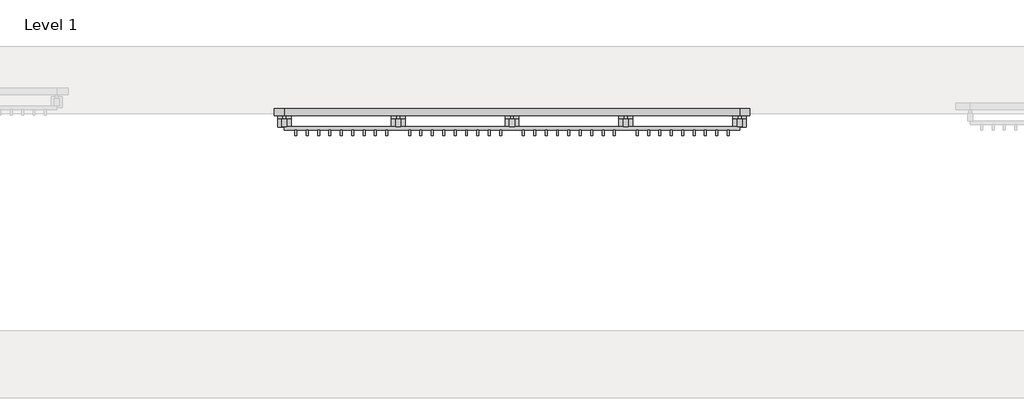
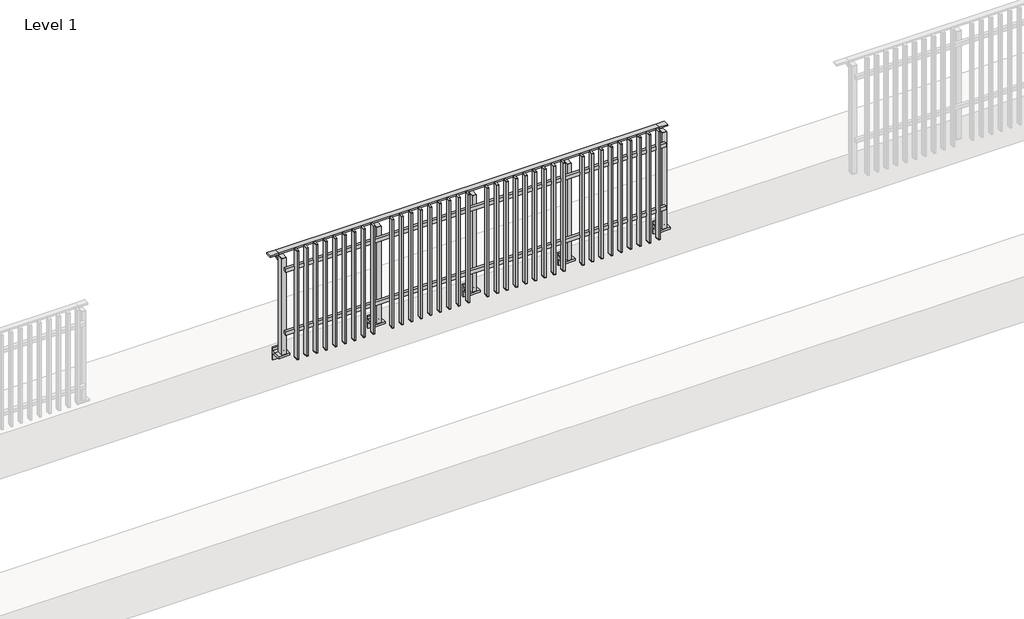
# One storey, part 11 of 17: 1 railing.
"""IFC4 building model written with IfcOpenShell, lengths in millimetres."""

from ifc_helpers import new_model, si_unit, point, frame, frame_2d, origin, place, context, project, spatial, polyline, circle_curve, trimmed, segment, composite_curve, outline, extrude, faceted_brep, element, save

model = new_model("IFC4")

# Units and contexts
model_context = context("Model", 3, world=origin())
ifc_project = project(units=[si_unit("LENGTHUNIT", "METRE", prefix="MILLI")], contexts=[model_context])

# Site, building, storey
site = spatial("IfcSite", under=ifc_project)
building = spatial("IfcBuilding", under=site)
storey = spatial("IfcBuildingStorey", under=building, Name="Level 1", Elevation=0.0)

# Railing
placement = place(None, origin())
element("IfcRailing", 1, at=placement, inside=storey, context=model_context, shape_type="SolidModel", body=[
    faceted_brep([(11910.0, 2442.6846828, 1000.0), (11910.0, 2442.6846828, 985.0), (11910.0, 2382.6846828, 985.0), (11910.0, 2382.6846828, 1000.0), (12000.0, 2442.6846828, 1000.0), (12000.0, 2442.6846828, 985.0), (12000.0, 2382.6846828, 985.0), (12000.0, 2382.6846828, 1000.0), (16000.0, 2442.6846828, 1000.0), (16000.0, 2442.6846828, 985.0), (16000.0, 2382.6846828, 985.0), (16000.0, 2382.6846828, 1000.0), (16090.0, 2442.6846828, 1000.0), (16090.0, 2382.6846828, 1000.0), (16090.0, 2382.6846828, 985.0), (16090.0, 2442.6846828, 985.0)], [[[0, 1, 2, 3]], [[1, 0, 4, 5]], [[2, 1, 5, 6]], [[3, 2, 6, 7]], [[0, 3, 7, 4]], [[5, 4, 8, 9]], [[6, 5, 9, 10]], [[7, 6, 10, 11]], [[4, 7, 11, 8]], [[12, 13, 14, 15]], [[9, 8, 12, 15]], [[10, 9, 15, 14]], [[11, 10, 14, 13]], [[8, 11, 13, 12]]]),
    extrude(outline(polyline([(12000.0, 2253.1846828), (12000.0, 2285.1846828), (16000.0, 2285.1846828), (16000.0, 2253.1846828), (12000.0, 2253.1846828)])), frame((0.0, 0.0, 164.0), z_axis=(0.0, 0.0, 1.0), x_axis=(1.0, 0.0, 0.0)), (0.0, 0.0, 1.0), 36.0),
    extrude(outline(polyline([(12000.0, 2253.1846828), (12000.0, 2285.1846828), (16000.0, 2285.1846828), (16000.0, 2253.1846828), (12000.0, 2253.1846828)])), frame((0.0, 0.0, 864.0), z_axis=(0.0, 0.0, 1.0), x_axis=(1.0, 0.0, 0.0)), (0.0, 0.0, 1.0), 36.0),
    extrude(outline(polyline([(15908.5, 2253.1846828), (15908.5, 2204.1846828), (15891.5, 2204.1846828), (15891.5, 2253.1846828), (15908.5, 2253.1846828)])), frame((0.0, 0.0, -110.0), z_axis=(0.0, 0.0, 1.0), x_axis=(1.0, 0.0, 0.0)), (0.0, 0.0, 1.0), 5.0),
    extrude(outline(polyline([(15908.5, 2253.1846828), (15908.5, 2204.1846828), (15891.5, 2204.1846828), (15891.5, 2253.1846828), (15908.5, 2253.1846828)])), frame((0.0, 0.0, 1095.0), z_axis=(0.0, 0.0, 1.0), x_axis=(1.0, 0.0, 0.0)), (0.0, 0.0, 1.0), 5.0),
    extrude(outline(polyline([(15891.5, 2204.1846828), (15891.5, 2253.1846828), (15908.5, 2253.1846828), (15908.5, 2204.1846828), (15891.5, 2204.1846828)])), frame((0.0, 0.0, -105.0), z_axis=(0.0, 0.0, 1.0), x_axis=(1.0, 0.0, 0.0)), (0.0, 0.0, 1.0), 1200.0),
    extrude(outline(polyline([(15808.5, 2253.1846828), (15808.5, 2204.1846828), (15791.5, 2204.1846828), (15791.5, 2253.1846828), (15808.5, 2253.1846828)])), frame((0.0, 0.0, -110.0), z_axis=(0.0, 0.0, 1.0), x_axis=(1.0, 0.0, 0.0)), (0.0, 0.0, 1.0), 5.0),
    extrude(outline(polyline([(15808.5, 2253.1846828), (15808.5, 2204.1846828), (15791.5, 2204.1846828), (15791.5, 2253.1846828), (15808.5, 2253.1846828)])), frame((0.0, 0.0, 1095.0), z_axis=(0.0, 0.0, 1.0), x_axis=(1.0, 0.0, 0.0)), (0.0, 0.0, 1.0), 5.0),
    extrude(outline(polyline([(15791.5, 2204.1846828), (15791.5, 2253.1846828), (15808.5, 2253.1846828), (15808.5, 2204.1846828), (15791.5, 2204.1846828)])), frame((0.0, 0.0, -105.0), z_axis=(0.0, 0.0, 1.0), x_axis=(1.0, 0.0, 0.0)), (0.0, 0.0, 1.0), 1200.0),
    extrude(outline(polyline([(15708.5, 2253.1846828), (15708.5, 2204.1846828), (15691.5, 2204.1846828), (15691.5, 2253.1846828), (15708.5, 2253.1846828)])), frame((0.0, 0.0, -110.0), z_axis=(0.0, 0.0, 1.0), x_axis=(1.0, 0.0, 0.0)), (0.0, 0.0, 1.0), 5.0),
    extrude(outline(polyline([(15708.5, 2253.1846828), (15708.5, 2204.1846828), (15691.5, 2204.1846828), (15691.5, 2253.1846828), (15708.5, 2253.1846828)])), frame((0.0, 0.0, 1095.0), z_axis=(0.0, 0.0, 1.0), x_axis=(1.0, 0.0, 0.0)), (0.0, 0.0, 1.0), 5.0),
    extrude(outline(polyline([(15691.5, 2204.1846828), (15691.5, 2253.1846828), (15708.5, 2253.1846828), (15708.5, 2204.1846828), (15691.5, 2204.1846828)])), frame((0.0, 0.0, -105.0), z_axis=(0.0, 0.0, 1.0), x_axis=(1.0, 0.0, 0.0)), (0.0, 0.0, 1.0), 1200.0),
    extrude(outline(polyline([(15608.5, 2253.1846828), (15608.5, 2204.1846828), (15591.5, 2204.1846828), (15591.5, 2253.1846828), (15608.5, 2253.1846828)])), frame((0.0, 0.0, -110.0), z_axis=(0.0, 0.0, 1.0), x_axis=(1.0, 0.0, 0.0)), (0.0, 0.0, 1.0), 5.0),
    extrude(outline(polyline([(15608.5, 2253.1846828), (15608.5, 2204.1846828), (15591.5, 2204.1846828), (15591.5, 2253.1846828), (15608.5, 2253.1846828)])), frame((0.0, 0.0, 1095.0), z_axis=(0.0, 0.0, 1.0), x_axis=(1.0, 0.0, 0.0)), (0.0, 0.0, 1.0), 5.0),
    extrude(outline(polyline([(15591.5, 2204.1846828), (15591.5, 2253.1846828), (15608.5, 2253.1846828), (15608.5, 2204.1846828), (15591.5, 2204.1846828)])), frame((0.0, 0.0, -105.0), z_axis=(0.0, 0.0, 1.0), x_axis=(1.0, 0.0, 0.0)), (0.0, 0.0, 1.0), 1200.0),
    extrude(outline(polyline([(15508.5, 2253.1846828), (15508.5, 2204.1846828), (15491.5, 2204.1846828), (15491.5, 2253.1846828), (15508.5, 2253.1846828)])), frame((0.0, 0.0, -110.0), z_axis=(0.0, 0.0, 1.0), x_axis=(1.0, 0.0, 0.0)), (0.0, 0.0, 1.0), 5.0),
    extrude(outline(polyline([(15508.5, 2253.1846828), (15508.5, 2204.1846828), (15491.5, 2204.1846828), (15491.5, 2253.1846828), (15508.5, 2253.1846828)])), frame((0.0, 0.0, 1095.0), z_axis=(0.0, 0.0, 1.0), x_axis=(1.0, 0.0, 0.0)), (0.0, 0.0, 1.0), 5.0),
    extrude(outline(polyline([(15491.5, 2204.1846828), (15491.5, 2253.1846828), (15508.5, 2253.1846828), (15508.5, 2204.1846828), (15491.5, 2204.1846828)])), frame((0.0, 0.0, -105.0), z_axis=(0.0, 0.0, 1.0), x_axis=(1.0, 0.0, 0.0)), (0.0, 0.0, 1.0), 1200.0),
    extrude(outline(polyline([(15408.5, 2253.1846828), (15408.5, 2204.1846828), (15391.5, 2204.1846828), (15391.5, 2253.1846828), (15408.5, 2253.1846828)])), frame((0.0, 0.0, -110.0), z_axis=(0.0, 0.0, 1.0), x_axis=(1.0, 0.0, 0.0)), (0.0, 0.0, 1.0), 5.0),
    extrude(outline(polyline([(15408.5, 2253.1846828), (15408.5, 2204.1846828), (15391.5, 2204.1846828), (15391.5, 2253.1846828), (15408.5, 2253.1846828)])), frame((0.0, 0.0, 1095.0), z_axis=(0.0, 0.0, 1.0), x_axis=(1.0, 0.0, 0.0)), (0.0, 0.0, 1.0), 5.0),
    extrude(outline(polyline([(15391.5, 2204.1846828), (15391.5, 2253.1846828), (15408.5, 2253.1846828), (15408.5, 2204.1846828), (15391.5, 2204.1846828)])), frame((0.0, 0.0, -105.0), z_axis=(0.0, 0.0, 1.0), x_axis=(1.0, 0.0, 0.0)), (0.0, 0.0, 1.0), 1200.0),
    extrude(outline(polyline([(15308.5, 2253.1846828), (15308.5, 2204.1846828), (15291.5, 2204.1846828), (15291.5, 2253.1846828), (15308.5, 2253.1846828)])), frame((0.0, 0.0, -110.0), z_axis=(0.0, 0.0, 1.0), x_axis=(1.0, 0.0, 0.0)), (0.0, 0.0, 1.0), 5.0),
    extrude(outline(polyline([(15308.5, 2253.1846828), (15308.5, 2204.1846828), (15291.5, 2204.1846828), (15291.5, 2253.1846828), (15308.5, 2253.1846828)])), frame((0.0, 0.0, 1095.0), z_axis=(0.0, 0.0, 1.0), x_axis=(1.0, 0.0, 0.0)), (0.0, 0.0, 1.0), 5.0),
    extrude(outline(polyline([(15291.5, 2204.1846828), (15291.5, 2253.1846828), (15308.5, 2253.1846828), (15308.5, 2204.1846828), (15291.5, 2204.1846828)])), frame((0.0, 0.0, -105.0), z_axis=(0.0, 0.0, 1.0), x_axis=(1.0, 0.0, 0.0)), (0.0, 0.0, 1.0), 1200.0),
    extrude(outline(polyline([(15208.5, 2253.1846828), (15208.5, 2204.1846828), (15191.5, 2204.1846828), (15191.5, 2253.1846828), (15208.5, 2253.1846828)])), frame((0.0, 0.0, -110.0), z_axis=(0.0, 0.0, 1.0), x_axis=(1.0, 0.0, 0.0)), (0.0, 0.0, 1.0), 5.0),
    extrude(outline(polyline([(15208.5, 2253.1846828), (15208.5, 2204.1846828), (15191.5, 2204.1846828), (15191.5, 2253.1846828), (15208.5, 2253.1846828)])), frame((0.0, 0.0, 1095.0), z_axis=(0.0, 0.0, 1.0), x_axis=(1.0, 0.0, 0.0)), (0.0, 0.0, 1.0), 5.0),
    extrude(outline(polyline([(15191.5, 2204.1846828), (15191.5, 2253.1846828), (15208.5, 2253.1846828), (15208.5, 2204.1846828), (15191.5, 2204.1846828)])), frame((0.0, 0.0, -105.0), z_axis=(0.0, 0.0, 1.0), x_axis=(1.0, 0.0, 0.0)), (0.0, 0.0, 1.0), 1200.0),
    extrude(outline(polyline([(15108.5, 2253.1846828), (15108.5, 2204.1846828), (15091.5, 2204.1846828), (15091.5, 2253.1846828), (15108.5, 2253.1846828)])), frame((0.0, 0.0, -110.0), z_axis=(0.0, 0.0, 1.0), x_axis=(1.0, 0.0, 0.0)), (0.0, 0.0, 1.0), 5.0),
    extrude(outline(polyline([(15108.5, 2253.1846828), (15108.5, 2204.1846828), (15091.5, 2204.1846828), (15091.5, 2253.1846828), (15108.5, 2253.1846828)])), frame((0.0, 0.0, 1095.0), z_axis=(0.0, 0.0, 1.0), x_axis=(1.0, 0.0, 0.0)), (0.0, 0.0, 1.0), 5.0),
    extrude(outline(polyline([(15091.5, 2204.1846828), (15091.5, 2253.1846828), (15108.5, 2253.1846828), (15108.5, 2204.1846828), (15091.5, 2204.1846828)])), frame((0.0, 0.0, -105.0), z_axis=(0.0, 0.0, 1.0), x_axis=(1.0, 0.0, 0.0)), (0.0, 0.0, 1.0), 1200.0),
    extrude(outline(composite_curve([segment(polyline([(2438.1846828, 985.0), (2438.1846828, 960.900037)]), True, "CONTINUOUS"), segment(trimmed(circle_curve(frame_2d((2428.1846828, 960.900037)), 10.0), [point((2438.1846828, 960.900037))], [point((2430.7728733, 951.2407787))], False, "CARTESIAN"), True, "CONTINUOUS"), segment(polyline([(2430.7728733, 951.2407787), (2373.7244733, 935.9547061)]), True, "CONTINUOUS"), segment(trimmed(circle_curve(frame_2d((2376.3126638, 926.2954478)), 10.0), [point((2373.7244733, 935.9547061))], [point((2366.3982152, 927.6007097))], True, "CARTESIAN"), True, "CONTINUOUS"), segment(polyline([(2366.3982152, 927.6007097), (2361.791393, 892.6084214)]), True, "CONTINUOUS"), segment(trimmed(circle_curve(frame_2d((2358.8170584, 893.0)), 3.0), [point((2361.791393, 892.6084214))], [point((2358.8170584, 890.0))], False, "CARTESIAN"), True, "CONTINUOUS"), segment(polyline([(2358.8170584, 890.0), (2350.1846828, 890.0), (2350.1846828, 940.0), (2414.1846828, 957.1487483), (2414.1846828, 985.0), (2438.1846828, 985.0)]), True, "CONTINUOUS")], self_intersect=False)), frame((14987.5, 0.0, 0.0), z_axis=(1.0, 0.0, 0.0), x_axis=(0.0, 1.0, 0.0)), (0.0, 0.0, 1.0), 25.0),
    extrude(outline(composite_curve([segment(polyline([(2350.1846828, -70.0), (2384.1846828, -63.0), (2384.1846828, -32.5), (2400.1846828, -32.5), (2400.1846828, -167.5), (2384.1846828, -167.5), (2384.1846828, -113.5)]), True, "CONTINUOUS"), segment(trimmed(circle_curve(frame_2d((2364.1846828, -113.5)), 20.0), [point((2384.1846828, -113.5))], [point((2364.1846828, -93.5))], True, "CARTESIAN"), True, "CONTINUOUS"), segment(polyline([(2364.1846828, -93.5), (2280.1846828, -93.5), (2280.1846828, -70.0), (2350.1846828, -70.0)]), True, "CONTINUOUS")], self_intersect=False)), frame((14940.0, 0.0, 0.0), z_axis=(1.0, 0.0, 0.0), x_axis=(0.0, 1.0, 0.0)), (0.0, 0.0, 1.0), 120.0),
    extrude(outline(polyline([(15022.5, 2350.1846828), (15022.5, 2285.1846828), (14977.5, 2285.1846828), (14977.5, 2350.1846828), (15022.5, 2350.1846828)])), frame((0.0, 0.0, -70.0), z_axis=(0.0, 0.0, 1.0), x_axis=(1.0, 0.0, 0.0)), (0.0, 0.0, 1.0), 1070.0),
    extrude(outline(polyline([(15022.5, 2350.1846828), (15022.5, 2285.1846828), (14977.5, 2285.1846828), (14977.5, 2350.1846828), (15022.5, 2350.1846828)])), frame((0.0, 0.0, 1000.0), z_axis=(0.0, 0.0, 1.0), x_axis=(1.0, 0.0, 0.0)), (0.0, 0.0, 1.0), 5.0),
    extrude(outline(polyline([(14908.5, 2253.1846828), (14908.5, 2204.1846828), (14891.5, 2204.1846828), (14891.5, 2253.1846828), (14908.5, 2253.1846828)])), frame((0.0, 0.0, -110.0), z_axis=(0.0, 0.0, 1.0), x_axis=(1.0, 0.0, 0.0)), (0.0, 0.0, 1.0), 5.0),
    extrude(outline(polyline([(14908.5, 2253.1846828), (14908.5, 2204.1846828), (14891.5, 2204.1846828), (14891.5, 2253.1846828), (14908.5, 2253.1846828)])), frame((0.0, 0.0, 1095.0), z_axis=(0.0, 0.0, 1.0), x_axis=(1.0, 0.0, 0.0)), (0.0, 0.0, 1.0), 5.0),
    extrude(outline(polyline([(14891.5, 2204.1846828), (14891.5, 2253.1846828), (14908.5, 2253.1846828), (14908.5, 2204.1846828), (14891.5, 2204.1846828)])), frame((0.0, 0.0, -105.0), z_axis=(0.0, 0.0, 1.0), x_axis=(1.0, 0.0, 0.0)), (0.0, 0.0, 1.0), 1200.0),
    extrude(outline(polyline([(14808.5, 2253.1846828), (14808.5, 2204.1846828), (14791.5, 2204.1846828), (14791.5, 2253.1846828), (14808.5, 2253.1846828)])), frame((0.0, 0.0, -110.0), z_axis=(0.0, 0.0, 1.0), x_axis=(1.0, 0.0, 0.0)), (0.0, 0.0, 1.0), 5.0),
    extrude(outline(polyline([(14808.5, 2253.1846828), (14808.5, 2204.1846828), (14791.5, 2204.1846828), (14791.5, 2253.1846828), (14808.5, 2253.1846828)])), frame((0.0, 0.0, 1095.0), z_axis=(0.0, 0.0, 1.0), x_axis=(1.0, 0.0, 0.0)), (0.0, 0.0, 1.0), 5.0),
    extrude(outline(polyline([(14791.5, 2204.1846828), (14791.5, 2253.1846828), (14808.5, 2253.1846828), (14808.5, 2204.1846828), (14791.5, 2204.1846828)])), frame((0.0, 0.0, -105.0), z_axis=(0.0, 0.0, 1.0), x_axis=(1.0, 0.0, 0.0)), (0.0, 0.0, 1.0), 1200.0),
    extrude(outline(polyline([(14708.5, 2253.1846828), (14708.5, 2204.1846828), (14691.5, 2204.1846828), (14691.5, 2253.1846828), (14708.5, 2253.1846828)])), frame((0.0, 0.0, -110.0), z_axis=(0.0, 0.0, 1.0), x_axis=(1.0, 0.0, 0.0)), (0.0, 0.0, 1.0), 5.0),
    extrude(outline(polyline([(14708.5, 2253.1846828), (14708.5, 2204.1846828), (14691.5, 2204.1846828), (14691.5, 2253.1846828), (14708.5, 2253.1846828)])), frame((0.0, 0.0, 1095.0), z_axis=(0.0, 0.0, 1.0), x_axis=(1.0, 0.0, 0.0)), (0.0, 0.0, 1.0), 5.0),
    extrude(outline(polyline([(14691.5, 2204.1846828), (14691.5, 2253.1846828), (14708.5, 2253.1846828), (14708.5, 2204.1846828), (14691.5, 2204.1846828)])), frame((0.0, 0.0, -105.0), z_axis=(0.0, 0.0, 1.0), x_axis=(1.0, 0.0, 0.0)), (0.0, 0.0, 1.0), 1200.0),
    extrude(outline(polyline([(14608.5, 2253.1846828), (14608.5, 2204.1846828), (14591.5, 2204.1846828), (14591.5, 2253.1846828), (14608.5, 2253.1846828)])), frame((0.0, 0.0, -110.0), z_axis=(0.0, 0.0, 1.0), x_axis=(1.0, 0.0, 0.0)), (0.0, 0.0, 1.0), 5.0),
    extrude(outline(polyline([(14608.5, 2253.1846828), (14608.5, 2204.1846828), (14591.5, 2204.1846828), (14591.5, 2253.1846828), (14608.5, 2253.1846828)])), frame((0.0, 0.0, 1095.0), z_axis=(0.0, 0.0, 1.0), x_axis=(1.0, 0.0, 0.0)), (0.0, 0.0, 1.0), 5.0),
    extrude(outline(polyline([(14591.5, 2204.1846828), (14591.5, 2253.1846828), (14608.5, 2253.1846828), (14608.5, 2204.1846828), (14591.5, 2204.1846828)])), frame((0.0, 0.0, -105.0), z_axis=(0.0, 0.0, 1.0), x_axis=(1.0, 0.0, 0.0)), (0.0, 0.0, 1.0), 1200.0),
    extrude(outline(polyline([(14508.5, 2253.1846828), (14508.5, 2204.1846828), (14491.5, 2204.1846828), (14491.5, 2253.1846828), (14508.5, 2253.1846828)])), frame((0.0, 0.0, -110.0), z_axis=(0.0, 0.0, 1.0), x_axis=(1.0, 0.0, 0.0)), (0.0, 0.0, 1.0), 5.0),
    extrude(outline(polyline([(14508.5, 2253.1846828), (14508.5, 2204.1846828), (14491.5, 2204.1846828), (14491.5, 2253.1846828), (14508.5, 2253.1846828)])), frame((0.0, 0.0, 1095.0), z_axis=(0.0, 0.0, 1.0), x_axis=(1.0, 0.0, 0.0)), (0.0, 0.0, 1.0), 5.0),
    extrude(outline(polyline([(14491.5, 2204.1846828), (14491.5, 2253.1846828), (14508.5, 2253.1846828), (14508.5, 2204.1846828), (14491.5, 2204.1846828)])), frame((0.0, 0.0, -105.0), z_axis=(0.0, 0.0, 1.0), x_axis=(1.0, 0.0, 0.0)), (0.0, 0.0, 1.0), 1200.0),
    extrude(outline(polyline([(14408.5, 2253.1846828), (14408.5, 2204.1846828), (14391.5, 2204.1846828), (14391.5, 2253.1846828), (14408.5, 2253.1846828)])), frame((0.0, 0.0, -110.0), z_axis=(0.0, 0.0, 1.0), x_axis=(1.0, 0.0, 0.0)), (0.0, 0.0, 1.0), 5.0),
    extrude(outline(polyline([(14408.5, 2253.1846828), (14408.5, 2204.1846828), (14391.5, 2204.1846828), (14391.5, 2253.1846828), (14408.5, 2253.1846828)])), frame((0.0, 0.0, 1095.0), z_axis=(0.0, 0.0, 1.0), x_axis=(1.0, 0.0, 0.0)), (0.0, 0.0, 1.0), 5.0),
    extrude(outline(polyline([(14391.5, 2204.1846828), (14391.5, 2253.1846828), (14408.5, 2253.1846828), (14408.5, 2204.1846828), (14391.5, 2204.1846828)])), frame((0.0, 0.0, -105.0), z_axis=(0.0, 0.0, 1.0), x_axis=(1.0, 0.0, 0.0)), (0.0, 0.0, 1.0), 1200.0),
    extrude(outline(polyline([(14308.5, 2253.1846828), (14308.5, 2204.1846828), (14291.5, 2204.1846828), (14291.5, 2253.1846828), (14308.5, 2253.1846828)])), frame((0.0, 0.0, -110.0), z_axis=(0.0, 0.0, 1.0), x_axis=(1.0, 0.0, 0.0)), (0.0, 0.0, 1.0), 5.0),
    extrude(outline(polyline([(14308.5, 2253.1846828), (14308.5, 2204.1846828), (14291.5, 2204.1846828), (14291.5, 2253.1846828), (14308.5, 2253.1846828)])), frame((0.0, 0.0, 1095.0), z_axis=(0.0, 0.0, 1.0), x_axis=(1.0, 0.0, 0.0)), (0.0, 0.0, 1.0), 5.0),
    extrude(outline(polyline([(14291.5, 2204.1846828), (14291.5, 2253.1846828), (14308.5, 2253.1846828), (14308.5, 2204.1846828), (14291.5, 2204.1846828)])), frame((0.0, 0.0, -105.0), z_axis=(0.0, 0.0, 1.0), x_axis=(1.0, 0.0, 0.0)), (0.0, 0.0, 1.0), 1200.0),
    extrude(outline(polyline([(14208.5, 2253.1846828), (14208.5, 2204.1846828), (14191.5, 2204.1846828), (14191.5, 2253.1846828), (14208.5, 2253.1846828)])), frame((0.0, 0.0, -110.0), z_axis=(0.0, 0.0, 1.0), x_axis=(1.0, 0.0, 0.0)), (0.0, 0.0, 1.0), 5.0),
    extrude(outline(polyline([(14208.5, 2253.1846828), (14208.5, 2204.1846828), (14191.5, 2204.1846828), (14191.5, 2253.1846828), (14208.5, 2253.1846828)])), frame((0.0, 0.0, 1095.0), z_axis=(0.0, 0.0, 1.0), x_axis=(1.0, 0.0, 0.0)), (0.0, 0.0, 1.0), 5.0),
    extrude(outline(polyline([(14191.5, 2204.1846828), (14191.5, 2253.1846828), (14208.5, 2253.1846828), (14208.5, 2204.1846828), (14191.5, 2204.1846828)])), frame((0.0, 0.0, -105.0), z_axis=(0.0, 0.0, 1.0), x_axis=(1.0, 0.0, 0.0)), (0.0, 0.0, 1.0), 1200.0),
    extrude(outline(polyline([(14108.5, 2253.1846828), (14108.5, 2204.1846828), (14091.5, 2204.1846828), (14091.5, 2253.1846828), (14108.5, 2253.1846828)])), frame((0.0, 0.0, -110.0), z_axis=(0.0, 0.0, 1.0), x_axis=(1.0, 0.0, 0.0)), (0.0, 0.0, 1.0), 5.0),
    extrude(outline(polyline([(14108.5, 2253.1846828), (14108.5, 2204.1846828), (14091.5, 2204.1846828), (14091.5, 2253.1846828), (14108.5, 2253.1846828)])), frame((0.0, 0.0, 1095.0), z_axis=(0.0, 0.0, 1.0), x_axis=(1.0, 0.0, 0.0)), (0.0, 0.0, 1.0), 5.0),
    extrude(outline(polyline([(14091.5, 2204.1846828), (14091.5, 2253.1846828), (14108.5, 2253.1846828), (14108.5, 2204.1846828), (14091.5, 2204.1846828)])), frame((0.0, 0.0, -105.0), z_axis=(0.0, 0.0, 1.0), x_axis=(1.0, 0.0, 0.0)), (0.0, 0.0, 1.0), 1200.0),
    extrude(outline(composite_curve([segment(polyline([(2438.1846828, 985.0), (2438.1846828, 960.900037)]), True, "CONTINUOUS"), segment(trimmed(circle_curve(frame_2d((2428.1846828, 960.900037)), 10.0), [point((2438.1846828, 960.900037))], [point((2430.7728733, 951.2407787))], False, "CARTESIAN"), True, "CONTINUOUS"), segment(polyline([(2430.7728733, 951.2407787), (2373.7244733, 935.9547061)]), True, "CONTINUOUS"), segment(trimmed(circle_curve(frame_2d((2376.3126638, 926.2954478)), 10.0), [point((2373.7244733, 935.9547061))], [point((2366.3982152, 927.6007097))], True, "CARTESIAN"), True, "CONTINUOUS"), segment(polyline([(2366.3982152, 927.6007097), (2361.791393, 892.6084214)]), True, "CONTINUOUS"), segment(trimmed(circle_curve(frame_2d((2358.8170584, 893.0)), 3.0), [point((2361.791393, 892.6084214))], [point((2358.8170584, 890.0))], False, "CARTESIAN"), True, "CONTINUOUS"), segment(polyline([(2358.8170584, 890.0), (2350.1846828, 890.0), (2350.1846828, 940.0), (2414.1846828, 957.1487483), (2414.1846828, 985.0), (2438.1846828, 985.0)]), True, "CONTINUOUS")], self_intersect=False)), frame((13987.5, 0.0, 0.0), z_axis=(1.0, 0.0, 0.0), x_axis=(0.0, 1.0, 0.0)), (0.0, 0.0, 1.0), 25.0),
    extrude(outline(composite_curve([segment(polyline([(2350.1846828, -70.0), (2384.1846828, -63.0), (2384.1846828, -32.5), (2400.1846828, -32.5), (2400.1846828, -167.5), (2384.1846828, -167.5), (2384.1846828, -113.5)]), True, "CONTINUOUS"), segment(trimmed(circle_curve(frame_2d((2364.1846828, -113.5)), 20.0), [point((2384.1846828, -113.5))], [point((2364.1846828, -93.5))], True, "CARTESIAN"), True, "CONTINUOUS"), segment(polyline([(2364.1846828, -93.5), (2280.1846828, -93.5), (2280.1846828, -70.0), (2350.1846828, -70.0)]), True, "CONTINUOUS")], self_intersect=False)), frame((13940.0, 0.0, 0.0), z_axis=(1.0, 0.0, 0.0), x_axis=(0.0, 1.0, 0.0)), (0.0, 0.0, 1.0), 120.0),
    extrude(outline(polyline([(14022.5, 2350.1846828), (14022.5, 2285.1846828), (13977.5, 2285.1846828), (13977.5, 2350.1846828), (14022.5, 2350.1846828)])), frame((0.0, 0.0, -70.0), z_axis=(0.0, 0.0, 1.0), x_axis=(1.0, 0.0, 0.0)), (0.0, 0.0, 1.0), 1070.0),
    extrude(outline(polyline([(14022.5, 2350.1846828), (14022.5, 2285.1846828), (13977.5, 2285.1846828), (13977.5, 2350.1846828), (14022.5, 2350.1846828)])), frame((0.0, 0.0, 1000.0), z_axis=(0.0, 0.0, 1.0), x_axis=(1.0, 0.0, 0.0)), (0.0, 0.0, 1.0), 5.0),
    extrude(outline(polyline([(13908.5, 2253.1846828), (13908.5, 2204.1846828), (13891.5, 2204.1846828), (13891.5, 2253.1846828), (13908.5, 2253.1846828)])), frame((0.0, 0.0, -110.0), z_axis=(0.0, 0.0, 1.0), x_axis=(1.0, 0.0, 0.0)), (0.0, 0.0, 1.0), 5.0),
    extrude(outline(polyline([(13908.5, 2253.1846828), (13908.5, 2204.1846828), (13891.5, 2204.1846828), (13891.5, 2253.1846828), (13908.5, 2253.1846828)])), frame((0.0, 0.0, 1095.0), z_axis=(0.0, 0.0, 1.0), x_axis=(1.0, 0.0, 0.0)), (0.0, 0.0, 1.0), 5.0),
    extrude(outline(polyline([(13891.5, 2204.1846828), (13891.5, 2253.1846828), (13908.5, 2253.1846828), (13908.5, 2204.1846828), (13891.5, 2204.1846828)])), frame((0.0, 0.0, -105.0), z_axis=(0.0, 0.0, 1.0), x_axis=(1.0, 0.0, 0.0)), (0.0, 0.0, 1.0), 1200.0),
    extrude(outline(polyline([(13808.5, 2253.1846828), (13808.5, 2204.1846828), (13791.5, 2204.1846828), (13791.5, 2253.1846828), (13808.5, 2253.1846828)])), frame((0.0, 0.0, -110.0), z_axis=(0.0, 0.0, 1.0), x_axis=(1.0, 0.0, 0.0)), (0.0, 0.0, 1.0), 5.0),
    extrude(outline(polyline([(13808.5, 2253.1846828), (13808.5, 2204.1846828), (13791.5, 2204.1846828), (13791.5, 2253.1846828), (13808.5, 2253.1846828)])), frame((0.0, 0.0, 1095.0), z_axis=(0.0, 0.0, 1.0), x_axis=(1.0, 0.0, 0.0)), (0.0, 0.0, 1.0), 5.0),
    extrude(outline(polyline([(13791.5, 2204.1846828), (13791.5, 2253.1846828), (13808.5, 2253.1846828), (13808.5, 2204.1846828), (13791.5, 2204.1846828)])), frame((0.0, 0.0, -105.0), z_axis=(0.0, 0.0, 1.0), x_axis=(1.0, 0.0, 0.0)), (0.0, 0.0, 1.0), 1200.0),
    extrude(outline(polyline([(13708.5, 2253.1846828), (13708.5, 2204.1846828), (13691.5, 2204.1846828), (13691.5, 2253.1846828), (13708.5, 2253.1846828)])), frame((0.0, 0.0, -110.0), z_axis=(0.0, 0.0, 1.0), x_axis=(1.0, 0.0, 0.0)), (0.0, 0.0, 1.0), 5.0),
    extrude(outline(polyline([(13708.5, 2253.1846828), (13708.5, 2204.1846828), (13691.5, 2204.1846828), (13691.5, 2253.1846828), (13708.5, 2253.1846828)])), frame((0.0, 0.0, 1095.0), z_axis=(0.0, 0.0, 1.0), x_axis=(1.0, 0.0, 0.0)), (0.0, 0.0, 1.0), 5.0),
    extrude(outline(polyline([(13691.5, 2204.1846828), (13691.5, 2253.1846828), (13708.5, 2253.1846828), (13708.5, 2204.1846828), (13691.5, 2204.1846828)])), frame((0.0, 0.0, -105.0), z_axis=(0.0, 0.0, 1.0), x_axis=(1.0, 0.0, 0.0)), (0.0, 0.0, 1.0), 1200.0),
    extrude(outline(polyline([(13608.5, 2253.1846828), (13608.5, 2204.1846828), (13591.5, 2204.1846828), (13591.5, 2253.1846828), (13608.5, 2253.1846828)])), frame((0.0, 0.0, -110.0), z_axis=(0.0, 0.0, 1.0), x_axis=(1.0, 0.0, 0.0)), (0.0, 0.0, 1.0), 5.0),
    extrude(outline(polyline([(13608.5, 2253.1846828), (13608.5, 2204.1846828), (13591.5, 2204.1846828), (13591.5, 2253.1846828), (13608.5, 2253.1846828)])), frame((0.0, 0.0, 1095.0), z_axis=(0.0, 0.0, 1.0), x_axis=(1.0, 0.0, 0.0)), (0.0, 0.0, 1.0), 5.0),
    extrude(outline(polyline([(13591.5, 2204.1846828), (13591.5, 2253.1846828), (13608.5, 2253.1846828), (13608.5, 2204.1846828), (13591.5, 2204.1846828)])), frame((0.0, 0.0, -105.0), z_axis=(0.0, 0.0, 1.0), x_axis=(1.0, 0.0, 0.0)), (0.0, 0.0, 1.0), 1200.0),
    extrude(outline(polyline([(13508.5, 2253.1846828), (13508.5, 2204.1846828), (13491.5, 2204.1846828), (13491.5, 2253.1846828), (13508.5, 2253.1846828)])), frame((0.0, 0.0, -110.0), z_axis=(0.0, 0.0, 1.0), x_axis=(1.0, 0.0, 0.0)), (0.0, 0.0, 1.0), 5.0),
    extrude(outline(polyline([(13508.5, 2253.1846828), (13508.5, 2204.1846828), (13491.5, 2204.1846828), (13491.5, 2253.1846828), (13508.5, 2253.1846828)])), frame((0.0, 0.0, 1095.0), z_axis=(0.0, 0.0, 1.0), x_axis=(1.0, 0.0, 0.0)), (0.0, 0.0, 1.0), 5.0),
    extrude(outline(polyline([(13491.5, 2204.1846828), (13491.5, 2253.1846828), (13508.5, 2253.1846828), (13508.5, 2204.1846828), (13491.5, 2204.1846828)])), frame((0.0, 0.0, -105.0), z_axis=(0.0, 0.0, 1.0), x_axis=(1.0, 0.0, 0.0)), (0.0, 0.0, 1.0), 1200.0),
    extrude(outline(polyline([(13408.5, 2253.1846828), (13408.5, 2204.1846828), (13391.5, 2204.1846828), (13391.5, 2253.1846828), (13408.5, 2253.1846828)])), frame((0.0, 0.0, -110.0), z_axis=(0.0, 0.0, 1.0), x_axis=(1.0, 0.0, 0.0)), (0.0, 0.0, 1.0), 5.0),
    extrude(outline(polyline([(13408.5, 2253.1846828), (13408.5, 2204.1846828), (13391.5, 2204.1846828), (13391.5, 2253.1846828), (13408.5, 2253.1846828)])), frame((0.0, 0.0, 1095.0), z_axis=(0.0, 0.0, 1.0), x_axis=(1.0, 0.0, 0.0)), (0.0, 0.0, 1.0), 5.0),
    extrude(outline(polyline([(13391.5, 2204.1846828), (13391.5, 2253.1846828), (13408.5, 2253.1846828), (13408.5, 2204.1846828), (13391.5, 2204.1846828)])), frame((0.0, 0.0, -105.0), z_axis=(0.0, 0.0, 1.0), x_axis=(1.0, 0.0, 0.0)), (0.0, 0.0, 1.0), 1200.0),
    extrude(outline(polyline([(13308.5, 2253.1846828), (13308.5, 2204.1846828), (13291.5, 2204.1846828), (13291.5, 2253.1846828), (13308.5, 2253.1846828)])), frame((0.0, 0.0, -110.0), z_axis=(0.0, 0.0, 1.0), x_axis=(1.0, 0.0, 0.0)), (0.0, 0.0, 1.0), 5.0),
    extrude(outline(polyline([(13308.5, 2253.1846828), (13308.5, 2204.1846828), (13291.5, 2204.1846828), (13291.5, 2253.1846828), (13308.5, 2253.1846828)])), frame((0.0, 0.0, 1095.0), z_axis=(0.0, 0.0, 1.0), x_axis=(1.0, 0.0, 0.0)), (0.0, 0.0, 1.0), 5.0),
    extrude(outline(polyline([(13291.5, 2204.1846828), (13291.5, 2253.1846828), (13308.5, 2253.1846828), (13308.5, 2204.1846828), (13291.5, 2204.1846828)])), frame((0.0, 0.0, -105.0), z_axis=(0.0, 0.0, 1.0), x_axis=(1.0, 0.0, 0.0)), (0.0, 0.0, 1.0), 1200.0),
    extrude(outline(polyline([(13208.5, 2253.1846828), (13208.5, 2204.1846828), (13191.5, 2204.1846828), (13191.5, 2253.1846828), (13208.5, 2253.1846828)])), frame((0.0, 0.0, -110.0), z_axis=(0.0, 0.0, 1.0), x_axis=(1.0, 0.0, 0.0)), (0.0, 0.0, 1.0), 5.0),
    extrude(outline(polyline([(13208.5, 2253.1846828), (13208.5, 2204.1846828), (13191.5, 2204.1846828), (13191.5, 2253.1846828), (13208.5, 2253.1846828)])), frame((0.0, 0.0, 1095.0), z_axis=(0.0, 0.0, 1.0), x_axis=(1.0, 0.0, 0.0)), (0.0, 0.0, 1.0), 5.0),
    extrude(outline(polyline([(13191.5, 2204.1846828), (13191.5, 2253.1846828), (13208.5, 2253.1846828), (13208.5, 2204.1846828), (13191.5, 2204.1846828)])), frame((0.0, 0.0, -105.0), z_axis=(0.0, 0.0, 1.0), x_axis=(1.0, 0.0, 0.0)), (0.0, 0.0, 1.0), 1200.0),
    extrude(outline(polyline([(13108.5, 2253.1846828), (13108.5, 2204.1846828), (13091.5, 2204.1846828), (13091.5, 2253.1846828), (13108.5, 2253.1846828)])), frame((0.0, 0.0, -110.0), z_axis=(0.0, 0.0, 1.0), x_axis=(1.0, 0.0, 0.0)), (0.0, 0.0, 1.0), 5.0),
    extrude(outline(polyline([(13108.5, 2253.1846828), (13108.5, 2204.1846828), (13091.5, 2204.1846828), (13091.5, 2253.1846828), (13108.5, 2253.1846828)])), frame((0.0, 0.0, 1095.0), z_axis=(0.0, 0.0, 1.0), x_axis=(1.0, 0.0, 0.0)), (0.0, 0.0, 1.0), 5.0),
    extrude(outline(polyline([(13091.5, 2204.1846828), (13091.5, 2253.1846828), (13108.5, 2253.1846828), (13108.5, 2204.1846828), (13091.5, 2204.1846828)])), frame((0.0, 0.0, -105.0), z_axis=(0.0, 0.0, 1.0), x_axis=(1.0, 0.0, 0.0)), (0.0, 0.0, 1.0), 1200.0),
    extrude(outline(composite_curve([segment(polyline([(2438.1846828, 985.0), (2438.1846828, 960.900037)]), True, "CONTINUOUS"), segment(trimmed(circle_curve(frame_2d((2428.1846828, 960.900037)), 10.0), [point((2438.1846828, 960.900037))], [point((2430.7728733, 951.2407787))], False, "CARTESIAN"), True, "CONTINUOUS"), segment(polyline([(2430.7728733, 951.2407787), (2373.7244733, 935.9547061)]), True, "CONTINUOUS"), segment(trimmed(circle_curve(frame_2d((2376.3126638, 926.2954478)), 10.0), [point((2373.7244733, 935.9547061))], [point((2366.3982152, 927.6007097))], True, "CARTESIAN"), True, "CONTINUOUS"), segment(polyline([(2366.3982152, 927.6007097), (2361.791393, 892.6084214)]), True, "CONTINUOUS"), segment(trimmed(circle_curve(frame_2d((2358.8170584, 893.0)), 3.0), [point((2361.791393, 892.6084214))], [point((2358.8170584, 890.0))], False, "CARTESIAN"), True, "CONTINUOUS"), segment(polyline([(2358.8170584, 890.0), (2350.1846828, 890.0), (2350.1846828, 940.0), (2414.1846828, 957.1487483), (2414.1846828, 985.0), (2438.1846828, 985.0)]), True, "CONTINUOUS")], self_intersect=False)), frame((12987.5, 0.0, 0.0), z_axis=(1.0, 0.0, 0.0), x_axis=(0.0, 1.0, 0.0)), (0.0, 0.0, 1.0), 25.0),
    extrude(outline(composite_curve([segment(polyline([(2350.1846828, -70.0), (2384.1846828, -63.0), (2384.1846828, -32.5), (2400.1846828, -32.5), (2400.1846828, -167.5), (2384.1846828, -167.5), (2384.1846828, -113.5)]), True, "CONTINUOUS"), segment(trimmed(circle_curve(frame_2d((2364.1846828, -113.5)), 20.0), [point((2384.1846828, -113.5))], [point((2364.1846828, -93.5))], True, "CARTESIAN"), True, "CONTINUOUS"), segment(polyline([(2364.1846828, -93.5), (2280.1846828, -93.5), (2280.1846828, -70.0), (2350.1846828, -70.0)]), True, "CONTINUOUS")], self_intersect=False)), frame((12940.0, 0.0, 0.0), z_axis=(1.0, 0.0, 0.0), x_axis=(0.0, 1.0, 0.0)), (0.0, 0.0, 1.0), 120.0),
    extrude(outline(polyline([(13022.5, 2350.1846828), (13022.5, 2285.1846828), (12977.5, 2285.1846828), (12977.5, 2350.1846828), (13022.5, 2350.1846828)])), frame((0.0, 0.0, -70.0), z_axis=(0.0, 0.0, 1.0), x_axis=(1.0, 0.0, 0.0)), (0.0, 0.0, 1.0), 1070.0),
    extrude(outline(polyline([(13022.5, 2350.1846828), (13022.5, 2285.1846828), (12977.5, 2285.1846828), (12977.5, 2350.1846828), (13022.5, 2350.1846828)])), frame((0.0, 0.0, 1000.0), z_axis=(0.0, 0.0, 1.0), x_axis=(1.0, 0.0, 0.0)), (0.0, 0.0, 1.0), 5.0),
    extrude(outline(polyline([(12908.5, 2253.1846828), (12908.5, 2204.1846828), (12891.5, 2204.1846828), (12891.5, 2253.1846828), (12908.5, 2253.1846828)])), frame((0.0, 0.0, -110.0), z_axis=(0.0, 0.0, 1.0), x_axis=(1.0, 0.0, 0.0)), (0.0, 0.0, 1.0), 5.0),
    extrude(outline(polyline([(12908.5, 2253.1846828), (12908.5, 2204.1846828), (12891.5, 2204.1846828), (12891.5, 2253.1846828), (12908.5, 2253.1846828)])), frame((0.0, 0.0, 1095.0), z_axis=(0.0, 0.0, 1.0), x_axis=(1.0, 0.0, 0.0)), (0.0, 0.0, 1.0), 5.0),
    extrude(outline(polyline([(12891.5, 2204.1846828), (12891.5, 2253.1846828), (12908.5, 2253.1846828), (12908.5, 2204.1846828), (12891.5, 2204.1846828)])), frame((0.0, 0.0, -105.0), z_axis=(0.0, 0.0, 1.0), x_axis=(1.0, 0.0, 0.0)), (0.0, 0.0, 1.0), 1200.0),
    extrude(outline(polyline([(12808.5, 2253.1846828), (12808.5, 2204.1846828), (12791.5, 2204.1846828), (12791.5, 2253.1846828), (12808.5, 2253.1846828)])), frame((0.0, 0.0, -110.0), z_axis=(0.0, 0.0, 1.0), x_axis=(1.0, 0.0, 0.0)), (0.0, 0.0, 1.0), 5.0),
    extrude(outline(polyline([(12808.5, 2253.1846828), (12808.5, 2204.1846828), (12791.5, 2204.1846828), (12791.5, 2253.1846828), (12808.5, 2253.1846828)])), frame((0.0, 0.0, 1095.0), z_axis=(0.0, 0.0, 1.0), x_axis=(1.0, 0.0, 0.0)), (0.0, 0.0, 1.0), 5.0),
    extrude(outline(polyline([(12791.5, 2204.1846828), (12791.5, 2253.1846828), (12808.5, 2253.1846828), (12808.5, 2204.1846828), (12791.5, 2204.1846828)])), frame((0.0, 0.0, -105.0), z_axis=(0.0, 0.0, 1.0), x_axis=(1.0, 0.0, 0.0)), (0.0, 0.0, 1.0), 1200.0),
    extrude(outline(polyline([(12708.5, 2253.1846828), (12708.5, 2204.1846828), (12691.5, 2204.1846828), (12691.5, 2253.1846828), (12708.5, 2253.1846828)])), frame((0.0, 0.0, -110.0), z_axis=(0.0, 0.0, 1.0), x_axis=(1.0, 0.0, 0.0)), (0.0, 0.0, 1.0), 5.0),
    extrude(outline(polyline([(12708.5, 2253.1846828), (12708.5, 2204.1846828), (12691.5, 2204.1846828), (12691.5, 2253.1846828), (12708.5, 2253.1846828)])), frame((0.0, 0.0, 1095.0), z_axis=(0.0, 0.0, 1.0), x_axis=(1.0, 0.0, 0.0)), (0.0, 0.0, 1.0), 5.0),
    extrude(outline(polyline([(12691.5, 2204.1846828), (12691.5, 2253.1846828), (12708.5, 2253.1846828), (12708.5, 2204.1846828), (12691.5, 2204.1846828)])), frame((0.0, 0.0, -105.0), z_axis=(0.0, 0.0, 1.0), x_axis=(1.0, 0.0, 0.0)), (0.0, 0.0, 1.0), 1200.0),
    extrude(outline(polyline([(12608.5, 2253.1846828), (12608.5, 2204.1846828), (12591.5, 2204.1846828), (12591.5, 2253.1846828), (12608.5, 2253.1846828)])), frame((0.0, 0.0, -110.0), z_axis=(0.0, 0.0, 1.0), x_axis=(1.0, 0.0, 0.0)), (0.0, 0.0, 1.0), 5.0),
    extrude(outline(polyline([(12608.5, 2253.1846828), (12608.5, 2204.1846828), (12591.5, 2204.1846828), (12591.5, 2253.1846828), (12608.5, 2253.1846828)])), frame((0.0, 0.0, 1095.0), z_axis=(0.0, 0.0, 1.0), x_axis=(1.0, 0.0, 0.0)), (0.0, 0.0, 1.0), 5.0),
    extrude(outline(polyline([(12591.5, 2204.1846828), (12591.5, 2253.1846828), (12608.5, 2253.1846828), (12608.5, 2204.1846828), (12591.5, 2204.1846828)])), frame((0.0, 0.0, -105.0), z_axis=(0.0, 0.0, 1.0), x_axis=(1.0, 0.0, 0.0)), (0.0, 0.0, 1.0), 1200.0),
    extrude(outline(polyline([(12508.5, 2253.1846828), (12508.5, 2204.1846828), (12491.5, 2204.1846828), (12491.5, 2253.1846828), (12508.5, 2253.1846828)])), frame((0.0, 0.0, -110.0), z_axis=(0.0, 0.0, 1.0), x_axis=(1.0, 0.0, 0.0)), (0.0, 0.0, 1.0), 5.0),
    extrude(outline(polyline([(12508.5, 2253.1846828), (12508.5, 2204.1846828), (12491.5, 2204.1846828), (12491.5, 2253.1846828), (12508.5, 2253.1846828)])), frame((0.0, 0.0, 1095.0), z_axis=(0.0, 0.0, 1.0), x_axis=(1.0, 0.0, 0.0)), (0.0, 0.0, 1.0), 5.0),
    extrude(outline(polyline([(12491.5, 2204.1846828), (12491.5, 2253.1846828), (12508.5, 2253.1846828), (12508.5, 2204.1846828), (12491.5, 2204.1846828)])), frame((0.0, 0.0, -105.0), z_axis=(0.0, 0.0, 1.0), x_axis=(1.0, 0.0, 0.0)), (0.0, 0.0, 1.0), 1200.0),
    extrude(outline(polyline([(12408.5, 2253.1846828), (12408.5, 2204.1846828), (12391.5, 2204.1846828), (12391.5, 2253.1846828), (12408.5, 2253.1846828)])), frame((0.0, 0.0, -110.0), z_axis=(0.0, 0.0, 1.0), x_axis=(1.0, 0.0, 0.0)), (0.0, 0.0, 1.0), 5.0),
    extrude(outline(polyline([(12408.5, 2253.1846828), (12408.5, 2204.1846828), (12391.5, 2204.1846828), (12391.5, 2253.1846828), (12408.5, 2253.1846828)])), frame((0.0, 0.0, 1095.0), z_axis=(0.0, 0.0, 1.0), x_axis=(1.0, 0.0, 0.0)), (0.0, 0.0, 1.0), 5.0),
    extrude(outline(polyline([(12391.5, 2204.1846828), (12391.5, 2253.1846828), (12408.5, 2253.1846828), (12408.5, 2204.1846828), (12391.5, 2204.1846828)])), frame((0.0, 0.0, -105.0), z_axis=(0.0, 0.0, 1.0), x_axis=(1.0, 0.0, 0.0)), (0.0, 0.0, 1.0), 1200.0),
    extrude(outline(polyline([(12308.5, 2253.1846828), (12308.5, 2204.1846828), (12291.5, 2204.1846828), (12291.5, 2253.1846828), (12308.5, 2253.1846828)])), frame((0.0, 0.0, -110.0), z_axis=(0.0, 0.0, 1.0), x_axis=(1.0, 0.0, 0.0)), (0.0, 0.0, 1.0), 5.0),
    extrude(outline(polyline([(12308.5, 2253.1846828), (12308.5, 2204.1846828), (12291.5, 2204.1846828), (12291.5, 2253.1846828), (12308.5, 2253.1846828)])), frame((0.0, 0.0, 1095.0), z_axis=(0.0, 0.0, 1.0), x_axis=(1.0, 0.0, 0.0)), (0.0, 0.0, 1.0), 5.0),
    extrude(outline(polyline([(12291.5, 2204.1846828), (12291.5, 2253.1846828), (12308.5, 2253.1846828), (12308.5, 2204.1846828), (12291.5, 2204.1846828)])), frame((0.0, 0.0, -105.0), z_axis=(0.0, 0.0, 1.0), x_axis=(1.0, 0.0, 0.0)), (0.0, 0.0, 1.0), 1200.0),
    extrude(outline(polyline([(12208.5, 2253.1846828), (12208.5, 2204.1846828), (12191.5, 2204.1846828), (12191.5, 2253.1846828), (12208.5, 2253.1846828)])), frame((0.0, 0.0, -110.0), z_axis=(0.0, 0.0, 1.0), x_axis=(1.0, 0.0, 0.0)), (0.0, 0.0, 1.0), 5.0),
    extrude(outline(polyline([(12208.5, 2253.1846828), (12208.5, 2204.1846828), (12191.5, 2204.1846828), (12191.5, 2253.1846828), (12208.5, 2253.1846828)])), frame((0.0, 0.0, 1095.0), z_axis=(0.0, 0.0, 1.0), x_axis=(1.0, 0.0, 0.0)), (0.0, 0.0, 1.0), 5.0),
    extrude(outline(polyline([(12191.5, 2204.1846828), (12191.5, 2253.1846828), (12208.5, 2253.1846828), (12208.5, 2204.1846828), (12191.5, 2204.1846828)])), frame((0.0, 0.0, -105.0), z_axis=(0.0, 0.0, 1.0), x_axis=(1.0, 0.0, 0.0)), (0.0, 0.0, 1.0), 1200.0),
    extrude(outline(polyline([(12108.5, 2253.1846828), (12108.5, 2204.1846828), (12091.5, 2204.1846828), (12091.5, 2253.1846828), (12108.5, 2253.1846828)])), frame((0.0, 0.0, -110.0), z_axis=(0.0, 0.0, 1.0), x_axis=(1.0, 0.0, 0.0)), (0.0, 0.0, 1.0), 5.0),
    extrude(outline(polyline([(12108.5, 2253.1846828), (12108.5, 2204.1846828), (12091.5, 2204.1846828), (12091.5, 2253.1846828), (12108.5, 2253.1846828)])), frame((0.0, 0.0, 1095.0), z_axis=(0.0, 0.0, 1.0), x_axis=(1.0, 0.0, 0.0)), (0.0, 0.0, 1.0), 5.0),
    extrude(outline(polyline([(12091.5, 2204.1846828), (12091.5, 2253.1846828), (12108.5, 2253.1846828), (12108.5, 2204.1846828), (12091.5, 2204.1846828)])), frame((0.0, 0.0, -105.0), z_axis=(0.0, 0.0, 1.0), x_axis=(1.0, 0.0, 0.0)), (0.0, 0.0, 1.0), 1200.0),
    extrude(outline(composite_curve([segment(polyline([(2438.1846828, 985.0), (2438.1846828, 960.900037)]), True, "CONTINUOUS"), segment(trimmed(circle_curve(frame_2d((2428.1846828, 960.900037)), 10.0), [point((2438.1846828, 960.900037))], [point((2430.7728733, 951.2407787))], False, "CARTESIAN"), True, "CONTINUOUS"), segment(polyline([(2430.7728733, 951.2407787), (2373.7244733, 935.9547061)]), True, "CONTINUOUS"), segment(trimmed(circle_curve(frame_2d((2376.3126638, 926.2954478)), 10.0), [point((2373.7244733, 935.9547061))], [point((2366.3982152, 927.6007097))], True, "CARTESIAN"), True, "CONTINUOUS"), segment(polyline([(2366.3982152, 927.6007097), (2361.791393, 892.6084214)]), True, "CONTINUOUS"), segment(trimmed(circle_curve(frame_2d((2358.8170584, 893.0)), 3.0), [point((2361.791393, 892.6084214))], [point((2358.8170584, 890.0))], False, "CARTESIAN"), True, "CONTINUOUS"), segment(polyline([(2358.8170584, 890.0), (2350.1846828, 890.0), (2350.1846828, 940.0), (2414.1846828, 957.1487483), (2414.1846828, 985.0), (2438.1846828, 985.0)]), True, "CONTINUOUS")], self_intersect=False)), frame((15987.5, 0.0, 0.0), z_axis=(1.0, 0.0, 0.0), x_axis=(0.0, 1.0, 0.0)), (0.0, 0.0, 1.0), 25.0),
    extrude(outline(composite_curve([segment(polyline([(2350.1846828, -70.0), (2384.1846828, -63.0), (2384.1846828, -32.5), (2400.1846828, -32.5), (2400.1846828, -167.5), (2384.1846828, -167.5), (2384.1846828, -113.5)]), True, "CONTINUOUS"), segment(trimmed(circle_curve(frame_2d((2364.1846828, -113.5)), 20.0), [point((2384.1846828, -113.5))], [point((2364.1846828, -93.5))], True, "CARTESIAN"), True, "CONTINUOUS"), segment(polyline([(2364.1846828, -93.5), (2280.1846828, -93.5), (2280.1846828, -70.0), (2350.1846828, -70.0)]), True, "CONTINUOUS")], self_intersect=False)), frame((15940.0, 0.0, 0.0), z_axis=(1.0, 0.0, 0.0), x_axis=(0.0, 1.0, 0.0)), (0.0, 0.0, 1.0), 120.0),
    extrude(outline(polyline([(16022.5, 2350.1846828), (16022.5, 2285.1846828), (15977.5, 2285.1846828), (15977.5, 2350.1846828), (16022.5, 2350.1846828)])), frame((0.0, 0.0, -70.0), z_axis=(0.0, 0.0, 1.0), x_axis=(1.0, 0.0, 0.0)), (0.0, 0.0, 1.0), 1070.0),
    extrude(outline(polyline([(16022.5, 2350.1846828), (16022.5, 2285.1846828), (15977.5, 2285.1846828), (15977.5, 2350.1846828), (16022.5, 2350.1846828)])), frame((0.0, 0.0, 1000.0), z_axis=(0.0, 0.0, 1.0), x_axis=(1.0, 0.0, 0.0)), (0.0, 0.0, 1.0), 5.0),
    extrude(outline(composite_curve([segment(polyline([(2438.1846828, 985.0), (2438.1846828, 960.900037)]), True, "CONTINUOUS"), segment(trimmed(circle_curve(frame_2d((2428.1846828, 960.900037)), 10.0), [point((2438.1846828, 960.900037))], [point((2430.7728733, 951.2407787))], False, "CARTESIAN"), True, "CONTINUOUS"), segment(polyline([(2430.7728733, 951.2407787), (2373.7244733, 935.9547061)]), True, "CONTINUOUS"), segment(trimmed(circle_curve(frame_2d((2376.3126638, 926.2954478)), 10.0), [point((2373.7244733, 935.9547061))], [point((2366.3982152, 927.6007097))], True, "CARTESIAN"), True, "CONTINUOUS"), segment(polyline([(2366.3982152, 927.6007097), (2361.791393, 892.6084214)]), True, "CONTINUOUS"), segment(trimmed(circle_curve(frame_2d((2358.8170584, 893.0)), 3.0), [point((2361.791393, 892.6084214))], [point((2358.8170584, 890.0))], False, "CARTESIAN"), True, "CONTINUOUS"), segment(polyline([(2358.8170584, 890.0), (2350.1846828, 890.0), (2350.1846828, 940.0), (2414.1846828, 957.1487483), (2414.1846828, 985.0), (2438.1846828, 985.0)]), True, "CONTINUOUS")], self_intersect=False)), frame((11987.5, 0.0, 0.0), z_axis=(1.0, 0.0, 0.0), x_axis=(0.0, 1.0, 0.0)), (0.0, 0.0, 1.0), 25.0),
    extrude(outline(composite_curve([segment(polyline([(2350.1846828, -70.0), (2384.1846828, -63.0), (2384.1846828, -32.5), (2400.1846828, -32.5), (2400.1846828, -167.5), (2384.1846828, -167.5), (2384.1846828, -113.5)]), True, "CONTINUOUS"), segment(trimmed(circle_curve(frame_2d((2364.1846828, -113.5)), 20.0), [point((2384.1846828, -113.5))], [point((2364.1846828, -93.5))], True, "CARTESIAN"), True, "CONTINUOUS"), segment(polyline([(2364.1846828, -93.5), (2280.1846828, -93.5), (2280.1846828, -70.0), (2350.1846828, -70.0)]), True, "CONTINUOUS")], self_intersect=False)), frame((11940.0, 0.0, 0.0), z_axis=(1.0, 0.0, 0.0), x_axis=(0.0, 1.0, 0.0)), (0.0, 0.0, 1.0), 120.0),
    extrude(outline(polyline([(12022.5, 2350.1846828), (12022.5, 2285.1846828), (11977.5, 2285.1846828), (11977.5, 2350.1846828), (12022.5, 2350.1846828)])), frame((0.0, 0.0, -70.0), z_axis=(0.0, 0.0, 1.0), x_axis=(1.0, 0.0, 0.0)), (0.0, 0.0, 1.0), 1070.0),
    extrude(outline(polyline([(12022.5, 2350.1846828), (12022.5, 2285.1846828), (11977.5, 2285.1846828), (11977.5, 2350.1846828), (12022.5, 2350.1846828)])), frame((0.0, 0.0, 1000.0), z_axis=(0.0, 0.0, 1.0), x_axis=(1.0, 0.0, 0.0)), (0.0, 0.0, 1.0), 5.0),
])

save(model, "model.ifc")
